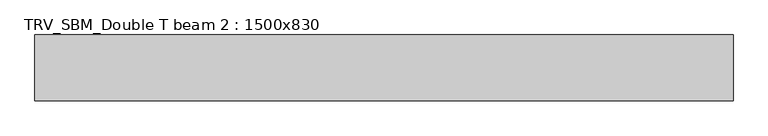
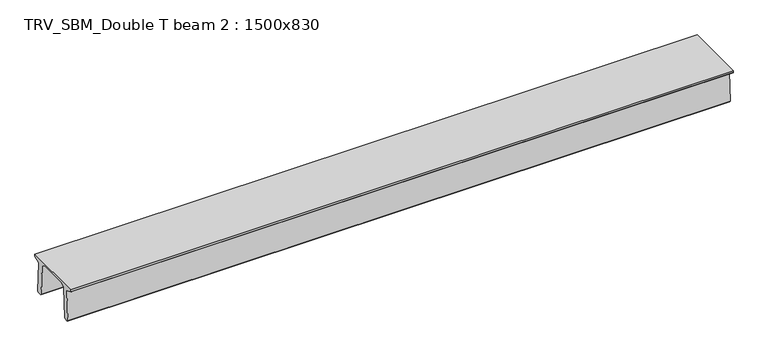
"""IFC4 building model written with IfcOpenShell, lengths in millimetres: beam geometry, TRV_SBM_Double T beam 2 : 1500x830."""

from ifc_helpers import new_model, si_unit, frame, origin, place, context, project, spatial, polyline, outline, extrude, source, transform, mapped, element, save


def trv_sbm_double_t_beam_2_1500x830_e4d061c1(model_context):
    return source(origin(), model_context, "Body", "SweptSolid", [
        extrude(outline(polyline([(337.4555014, 470.0), (-343.4555014, 470.0), (-456.5828437, 409.8491251), (-494.786332, -340.5206011), (-514.2657308, -360.0), (-604.2657308, -360.0), (-624.8277662, -339.4379646), (-586.9373878, 401.9654693), (-752.8511046, 468.9989621), (-753.0, 475.0), (-753.0, 520.0), (747.0, 520.0), (747.0, 475.0), (746.8511046, 468.9989621), (580.9373878, 401.9654693), (618.8277662, -339.4379646), (598.2657308, -360.0), (508.2657308, -360.0), (488.786332, -340.5206011), (450.5828437, 409.8491251), (337.4555014, 470.0)])), frame((-7919.5, 0.0, 0.0), z_axis=(1.0, 0.0, 0.0), x_axis=(0.0, 1.0, 0.0)), (0.0, 0.0, 1.0), 15916.0),
    ])


if __name__ == "__main__":
    model = new_model("IFC4")
    model_context = context("Model", 3, world=origin())
    ifc_project = project(units=[si_unit("LENGTHUNIT", "METRE", prefix="MILLI")], contexts=[model_context])
    site = spatial("IfcSite", under=ifc_project)
    building = spatial("IfcBuilding", under=site)
    placement = place(None, origin())
    trv_sbm_double_t_beam_2_1500x830_shape = trv_sbm_double_t_beam_2_1500x830_e4d061c1(model_context)
    element("IfcBeam", 1, ObjectType="TRV_SBM_Double T beam 2 : 1500x830", at=placement, inside=building, context=model_context, shape_type="MappedRepresentation", body=[
        mapped(trv_sbm_double_t_beam_2_1500x830_shape, transform((0.0, 0.0, 0.0), x_axis=(1.0, 0.0, 0.0), y_axis=(0.0, 1.0, 0.0), z_axis=(0.0, 0.0, 1.0))),
    ])
    save(model, "model.ifc")
